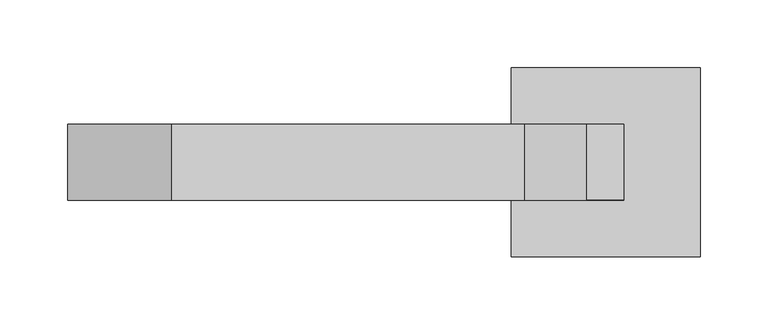
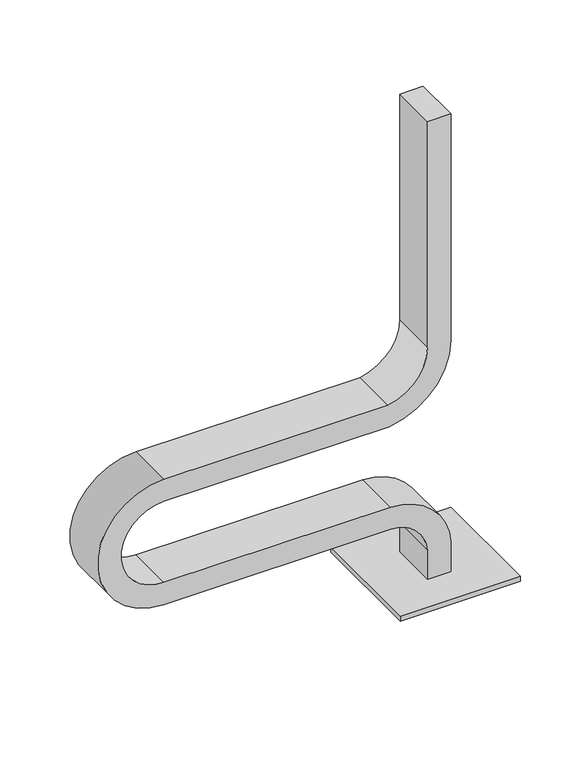
"""IFC4 building model written with IfcOpenShell, lengths in millimetres: furniture geometry."""

from ifc_helpers import new_model, si_unit, point, frame, frame_2d, origin, origin_with_axes, place, context, project, spatial, polyline, circle_curve, trimmed, segment, composite_curve, outline, extrude, source, transform, mapped, element, save
from ifc_brep_helpers import plane_surface, cylinder_surface, revolved_surface, advanced_brep


def furniture_76b73ba2(model_context):
    return source(origin(), model_context, "Body", "SolidModel", [
        extrude(outline(composite_curve([segment(trimmed(circle_curve(frame_2d((563.6014244, 58.0553319)), 4.978544), [point((558.6228804, 58.0553319))], [point((568.5799684, 58.0553319))], False, "CARTESIAN"), True, "CONTINUOUS"), segment(trimmed(circle_curve(frame_2d((563.6014244, 58.0553319)), 4.978544), [point((568.5799684, 58.0553319))], [point((558.6228804, 58.0553319))], False, "CARTESIAN"), True, "CONTINUOUS")], self_intersect=False)), origin_with_axes(), (0.0, 0.0, 1.0), 5.0),
        extrude(outline(composite_curve([segment(trimmed(circle_curve(frame_2d((679.5288601, 58.0553319)), 4.978544), [point((674.5503161, 58.0553319))], [point((684.5074041, 58.0553319))], False, "CARTESIAN"), True, "CONTINUOUS"), segment(trimmed(circle_curve(frame_2d((679.5288601, 58.0553319)), 4.978544), [point((684.5074041, 58.0553319))], [point((674.5503161, 58.0553319))], False, "CARTESIAN"), True, "CONTINUOUS")], self_intersect=False)), origin_with_axes(), (0.0, 0.0, 1.0), 5.0),
        extrude(outline(composite_curve([segment(trimmed(circle_curve(frame_2d((563.6014244, -58.0553319)), 4.978544), [point((558.6228804, -58.0553319))], [point((568.5799684, -58.0553319))], False, "CARTESIAN"), True, "CONTINUOUS"), segment(trimmed(circle_curve(frame_2d((563.6014244, -58.0553319)), 4.978544), [point((568.5799684, -58.0553319))], [point((558.6228804, -58.0553319))], False, "CARTESIAN"), True, "CONTINUOUS")], self_intersect=False)), origin_with_axes(), (0.0, 0.0, 1.0), 5.0),
        extrude(outline(composite_curve([segment(trimmed(circle_curve(frame_2d((679.5288601, -58.0553319)), 4.978544), [point((674.5503161, -58.0553319))], [point((684.5074041, -58.0553319))], False, "CARTESIAN"), True, "CONTINUOUS"), segment(trimmed(circle_curve(frame_2d((679.5288601, -58.0553319)), 4.978544), [point((684.5074041, -58.0553319))], [point((674.5503161, -58.0553319))], False, "CARTESIAN"), True, "CONTINUOUS")], self_intersect=False)), origin_with_axes(), (0.0, 0.0, 1.0), 5.0),
        extrude(outline(polyline([(691.5651422, 70.0), (691.5651422, -70.0), (551.5651422, -70.0), (551.5651422, 70.0), (691.5651422, 70.0)])), frame((0.0, 0.0, 5.0), z_axis=(0.0, 0.0, 1.0), x_axis=(1.0, 0.0, 0.0)), (0.0, 0.0, 1.0), 6.0),
        advanced_brep(
        [(607.4659827, -27.9558153, 11.0), (607.4659827, 27.9558153, 11.0), (634.6579846, 27.9558153, 11.0), (634.6579846, -27.9558153, 11.0), (607.4659827, -27.9558153, 47.0524338), (607.4659827, 27.9558153, 47.0524338), (634.6579846, 27.9558153, 47.8147532), (634.6579846, -27.9558153, 47.8147532), (564.287774, 27.9558153, 87.9015784), (564.287774, -27.9558153, 87.9015784), (564.513913, -27.9558153, 115.0926399), (564.513913, 27.9558153, 115.0926399), (300.0, -27.9558153, 87.9010908), (300.0, 27.9558153, 87.9010908), (300.0, 27.9558153, 115.0930927), (300.0, -27.9558153, 115.0930927), (300.0, 27.9558153, 242.0989092), (300.0, -27.9558153, 242.0989092), (300.0, -27.9558153, 214.9069073), (300.0, 27.9558153, 214.9069073), (561.0306629, -27.9558153, 242.0989092), (561.0306629, 27.9558153, 242.0989092), (563.0352709, 27.9558153, 214.9069073), (563.0352709, -27.9558153, 214.9069073), (607.4662451, 27.9558153, 296.4787195), (607.4662451, -27.9558153, 296.4787195), (634.6577283, 27.9558153, 296.3107738), (607.4659762, 27.9558153, 575.0), (634.6579781, 27.9558153, 575.0), (634.6577283, -27.9558153, 296.3107738), (634.6579781, -27.9558153, 575.0), (607.4659762, -27.9558153, 575.0)],
        [
            (0, 1),
            (1, 2),
            (2, 3),
            (3, 0),
            (0, 4),
            (4, 5),
            (5, 1),
            (2, 6),
            (6, 7),
            (7, 3),
            (8, 5, circle_curve(frame((563.9249333, 27.9558153, 44.2734439), z_axis=(0.0, 1.0, 0.0), x_axis=(0.9984653379141396, 0.0, 0.055380221956967894)), 43.6296433)),
            (4, 9, circle_curve(frame((563.9249333, -27.9558153, 44.2734439), z_axis=(0.0, -1.0, 0.0), x_axis=(0.9984653379141396, 0.0, 0.055380221956967894)), 43.6296433)),
            (9, 8),
            (10, 7, circle_curve(frame((563.9249333, -27.9558153, 44.2734439), z_axis=(0.0, 1.0, 0.0), x_axis=(0.9984653379141396, 0.0, 0.055380221956967894)), 70.8216452)),
            (6, 11, circle_curve(frame((563.9249333, 27.9558153, 44.2734439), z_axis=(0.0, -1.0, 0.0), x_axis=(0.9984653379141396, 0.0, 0.055380221956967894)), 70.8216452)),
            (11, 10),
            (9, 12),
            (12, 13),
            (13, 8),
            (11, 14),
            (14, 15),
            (15, 10),
            (16, 13, circle_curve(frame((300.0, 27.9558153, 165.0), z_axis=(0.0, -1.0, 0.0), x_axis=(0.0, 0.0, -1.0)), 77.0989092)),
            (12, 17, circle_curve(frame((300.0, -27.9558153, 165.0), z_axis=(0.0, 1.0, 0.0), x_axis=(0.0, 0.0, -1.0)), 77.0989092)),
            (17, 16),
            (18, 15, circle_curve(frame((300.0, -27.9558153, 165.0), z_axis=(0.0, -1.0, 0.0), x_axis=(0.0, 0.0, -1.0)), 49.9069073)),
            (14, 19, circle_curve(frame((300.0, 27.9558153, 165.0), z_axis=(0.0, 1.0, 0.0), x_axis=(0.0, 0.0, -1.0)), 49.9069073)),
            (19, 18),
            (17, 20),
            (20, 21),
            (21, 16),
            (19, 22),
            (22, 23),
            (23, 18),
            (24, 21, circle_curve(frame((552.0057332, 27.9558153, 296.8212662), z_axis=(0.0, 1.0, 0.0), x_axis=(0.14539904125885006, 0.0, -0.9893730938331643)), 55.4615697)),
            (20, 25, circle_curve(frame((552.0057332, -27.9558153, 296.8212662), z_axis=(0.0, -1.0, 0.0), x_axis=(0.14539904125885006, 0.0, -0.9893730938331643)), 55.4615697)),
            (25, 24),
            (26, 22, circle_curve(frame((552.0057332, 27.9558153, 296.8212662), z_axis=(0.0, 1.0, 0.0), x_axis=(0.14539904125885006, 0.0, -0.9893730938331643)), 82.6535716)),
            (24, 27),
            (27, 28),
            (28, 26),
            (29, 23, circle_curve(frame((552.0057332, -27.9558153, 296.8212662), z_axis=(0.0, 1.0, 0.0), x_axis=(0.14539904125885006, 0.0, -0.9893730938331643)), 82.6535716)),
            (26, 29),
            (29, 30),
            (30, 31),
            (31, 25),
            (30, 28),
            (27, 31),
        ],
        [
            plane_surface(frame((621.5648919, 0.0, 11.0), z_axis=(0.0, 0.0, -1.0), x_axis=(0.0, -1.0, 0.0))),
            plane_surface(frame((607.4659827, -27.9558153, 11.0), z_axis=(-1.0, 0.0, 0.0), x_axis=(0.0, 0.0, 1.0))),
            plane_surface(frame((634.6579846, 27.9558153, 11.0), z_axis=(1.0, 0.0, 0.0), x_axis=(0.0, 0.0, 1.0))),
            revolved_surface(polyline([(607.4876198406079, -27.9558153, 46.68966322985733), (607.4876198406079, 27.9558153, 46.68966322985733)]), (563.9249333, 0.0, 44.2734439), (0.0, -1.0, 0.0)),
            cylinder_surface(frame((563.9249333, 0.0, 44.2734439), z_axis=(0.0, -1.0, 0.0), x_axis=(0.9984653379141396, 0.0, 0.055380221956967894)), 70.8216452),
            plane_surface(frame((564.2877699, -27.9558153, 87.9010908), z_axis=(0.0, 0.0, -1.0), x_axis=(-1.0, 0.0, 0.0))),
            plane_surface(frame((564.5139168, 27.9558153, 115.0930927), z_axis=(0.0, 0.0, 1.0), x_axis=(-1.0, 0.0, 0.0))),
            cylinder_surface(frame((300.0, 0.0, 165.0), z_axis=(0.0, 1.0, 0.0), x_axis=(0.0, 0.0, -1.0)), 77.0989092),
            revolved_surface(polyline([(300.0, 27.9558153, 115.0930927), (300.0, -27.9558153, 115.0930927)]), (300.0, 0.0, 165.0), (0.0, 1.0, 0.0)),
            plane_surface(frame((300.0, -27.9558153, 242.0989092), z_axis=(0.0, 0.0, 1.0), x_axis=(1.0, 0.0, 0.0))),
            plane_surface(frame((300.0, 27.9558153, 214.9069073), z_axis=(0.0, 0.0, -1.0), x_axis=(1.0, 0.0, 0.0))),
            revolved_surface(polyline([(560.0697922610909, -27.9558153, 241.94908139706735), (560.0697922610909, 27.9558153, 241.94908139706735)]), (552.0057332, 0.0, 296.8212662), (0.0, -1.0, 0.0)),
            plane_surface(frame((552.0057332, 27.9558153, 296.8212662), z_axis=(0.0, 1.0, 0.0), x_axis=(0.14539904125885006, 0.0, -0.9893730938331643))),
            cylinder_surface(frame((552.0057332, 0.0, 296.8212662), z_axis=(0.0, -1.0, 0.0), x_axis=(0.14539904125885006, 0.0, -0.9893730938331643)), 82.6535716),
            plane_surface(frame((552.0057332, -27.9558153, 296.8212662), z_axis=(0.0, -1.0, 0.0), x_axis=(0.14539904125885006, 0.0, -0.9893730938331643))),
            plane_surface(frame((621.5648854, 0.0, 575.0), z_axis=(0.0, 0.0, 1.0), x_axis=(0.0, -1.0, 0.0))),
            plane_surface(frame((607.4659762, -27.9558153, 296.4787211), z_axis=(-1.0, 0.0, 0.0), x_axis=(0.0, 0.0, 1.0))),
            plane_surface(frame((634.6579781, 27.9558153, 296.3107723), z_axis=(1.0, 0.0, 0.0), x_axis=(0.0, 0.0, 1.0))),
        ],
        [
            (0, [[1, 2, 3, 4]]),
            (1, [[-1, 5, 6, 7]]),
            (2, [[-3, 8, 9, 10]]),
            (3, [[11, -6, 12, 13]]),
            (4, [[14, -9, 15, 16]]),
            (5, [[-13, 17, 18, 19]]),
            (6, [[-16, 20, 21, 22]]),
            (7, [[23, -18, 24, 25]]),
            (8, [[26, -21, 27, 28]]),
            (9, [[-25, 29, 30, 31]]),
            (10, [[-28, 32, 33, 34]]),
            (11, [[35, -30, 36, 37]]),
            (12, [[38, -32, -27, -20, -15, -8, -2, -7, -11, -19, -23, -31, -35, 39, 40, 41]]),
            (13, [[42, -33, -38, 43]]),
            (14, [[-36, -29, -24, -17, -12, -5, -4, -10, -14, -22, -26, -34, -42, 44, 45, 46]]),
            (15, [[-45, 47, -40, 48]]),
            (16, [[-37, -46, -48, -39]]),
            (17, [[-43, -41, -47, -44]]),
        ],
    ),
    ])


if __name__ == "__main__":
    model = new_model("IFC4")
    model_context = context("Model", 3, world=origin())
    ifc_project = project(units=[si_unit("LENGTHUNIT", "METRE", prefix="MILLI")], contexts=[model_context])
    site = spatial("IfcSite", under=ifc_project)
    building = spatial("IfcBuilding", under=site)
    placement = place(None, origin())
    furniture_shape = furniture_76b73ba2(model_context)
    element("IfcFurniture", 1, at=placement, inside=building, context=model_context, shape_type="MappedRepresentation", body=[
        mapped(furniture_shape, transform((0.0, 0.0, 0.0), x_axis=(1.0, 0.0, 0.0), y_axis=(0.0, 1.0, 0.0), z_axis=(0.0, 0.0, 1.0))),
    ])
    save(model, "model.ifc")
